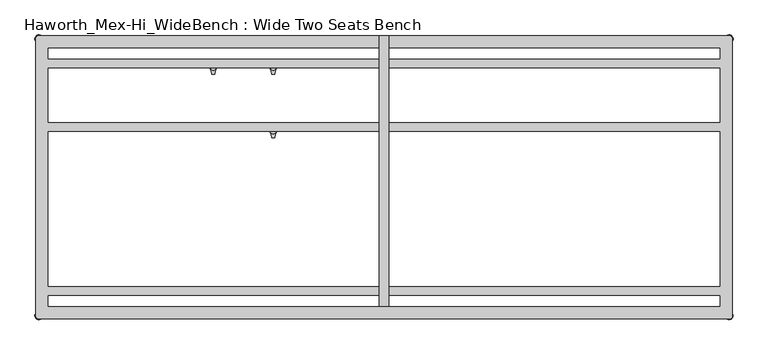
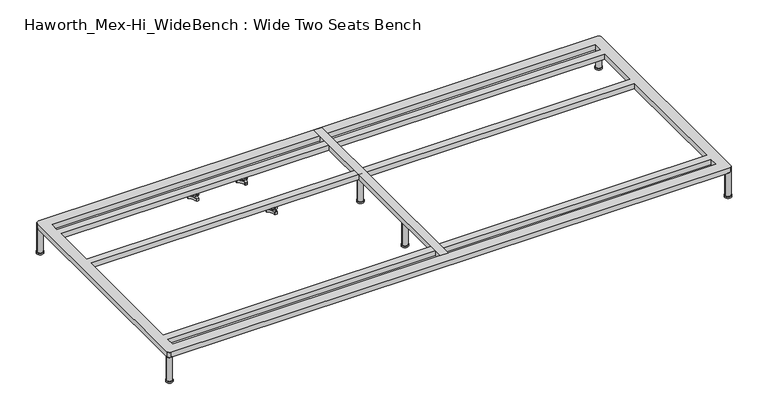
"""IFC4 building model written with IfcOpenShell, lengths in millimetres: furniture geometry, Haworth_Mex-Hi_WideBench : Wide Two Seats Bench."""

from ifc_helpers import new_model, si_unit, point, frame, frame_2d, origin, origin_with_axes, place, context, project, spatial, polyline, circle_curve, trimmed, segment, composite_curve, outline, extrude, source, transform, mapped, element, save
from ifc_brep_helpers import plane_surface, cylinder_surface, revolved_surface, advanced_brep


def haworth_mex_hi_widebench_wide_two_seats_bench_a20557b4(model_context):
    return source(origin(), model_context, "Body", "SolidModel", [
        advanced_brep(
        [(-519.7611937, -130.2721038, 98.611642), (-523.9837819, -137.585841, 98.611642), (-523.585833, -138.7518724, 98.611642), (-507.7665623, -166.1516574, 98.611642), (-506.9557288, -167.0792988, 98.611642), (-498.5105502, -167.0792988, 98.611642), (-497.706022, -165.9895174, 98.611642), (-481.6037689, -138.4877144, 98.611642), (-481.4824919, -137.5858427, 98.611642), (-485.7050818, -130.2721023, 98.611642), (-486.9138653, -130.0337175, 98.611642), (-518.5524137, -130.0337175, 98.611642), (-493.360263, -145.1926245, 98.611642), (-512.2652749, -145.1926245, 98.611642), (-519.7611937, -130.2721038, 88.6531552), (-518.5524137, -130.0337175, 88.6531552), (-486.9138653, -130.0337175, 88.6531552), (-485.7050818, -130.2721023, 88.6531552), (-481.4824919, -137.5858427, 88.6531552), (-481.6037689, -138.4877144, 88.6531552), (-497.706022, -165.9895174, 88.6531552), (-498.5105502, -167.0792988, 88.6531552), (-506.9557288, -167.0792988, 88.6531552), (-507.7665623, -166.1516574, 88.6531552), (-523.585833, -138.7518724, 88.6531552), (-523.9837819, -137.585841, 88.6531552), (-512.2652749, -145.1926245, 103.6569541), (-493.360263, -145.1926245, 103.6569541)],
        [
            (0, 1, circle_curve(frame((-501.5017056, -145.690049, 98.611642), z_axis=(0.0, 0.0, 1.0), x_axis=(1.0, 0.0, 0.0)), 23.8981576)),
            (1, 2, circle_curve(frame((-523.0562233, -137.920202, 98.611642), z_axis=(0.0, 0.0, 1.0), x_axis=(1.0, 0.0, 0.0)), 0.9859828)),
            (2, 3, circle_curve(frame((-541.981203, -167.6389644, 98.611642), z_axis=(0.0, 0.0, -1.0), x_axis=(1.0, 0.0, 0.0)), 34.246952)),
            (3, 4, circle_curve(frame((-506.7815189, -166.1088376, 98.611642), z_axis=(0.0, 0.0, 1.0), x_axis=(1.0, 0.0, 0.0)), 0.9859736)),
            (4, 5, circle_curve(frame((-502.7331395, -143.5567534, 98.611642), z_axis=(0.0, 0.0, 1.0), x_axis=(1.0, 0.0, 0.0)), 23.8985439)),
            (5, 6, circle_curve(frame((-498.6847621, -166.1088262, 98.611642), z_axis=(0.0, 0.0, 1.0), x_axis=(1.0, 0.0, 0.0)), 0.9859852)),
            (6, 7, circle_curve(frame((-463.4843483, -167.5614211, 98.611642), z_axis=(0.0, 0.0, -1.0), x_axis=(1.0, 0.0, 0.0)), 34.2577557)),
            (7, 8, circle_curve(frame((-482.4100533, -137.9202011, 98.611642), z_axis=(0.0, 0.0, 1.0), x_axis=(1.0, 0.0, 0.0)), 0.9859847)),
            (8, 9, circle_curve(frame((-503.9641822, -145.6898258, 98.611642), z_axis=(0.0, 0.0, 1.0), x_axis=(1.0, 0.0, 0.0)), 23.8977184)),
            (9, 10, circle_curve(frame((-486.4584281, -130.9082171, 98.611642), z_axis=(0.0, 0.0, 1.0), x_axis=(1.0, 0.0, 0.0)), 0.9859881)),
            (10, 11, circle_curve(frame((-502.7331395, -99.6586209, 98.611642), z_axis=(0.0, 0.0, -1.0), x_axis=(1.0, 0.0, 0.0)), 34.2475683)),
            (11, 0, circle_curve(frame((-519.0078488, -130.9082131, 98.611642), z_axis=(0.0, 0.0, 1.0), x_axis=(1.0, 0.0, 0.0)), 0.9859835)),
            (12, 13, circle_curve(frame((-502.8127689, -145.1926245, 98.611642), z_axis=(0.0, 0.0, -1.0), x_axis=(1.0, 0.0, 0.0)), 9.452506)),
            (13, 12, circle_curve(frame((-502.8127689, -145.1926245, 98.611642), z_axis=(0.0, 0.0, -1.0), x_axis=(1.0, 0.0, 0.0)), 9.452506)),
            (14, 15, circle_curve(frame((-519.0078488, -130.9082131, 88.6531552), z_axis=(0.0, 0.0, -1.0), x_axis=(1.0, 0.0, 0.0)), 0.9859835)),
            (15, 16, circle_curve(frame((-502.7331395, -99.6586209, 88.6531552), z_axis=(0.0, 0.0, 1.0), x_axis=(1.0, 0.0, 0.0)), 34.2475683)),
            (16, 17, circle_curve(frame((-486.4584281, -130.9082171, 88.6531552), z_axis=(0.0, 0.0, -1.0), x_axis=(1.0, 0.0, 0.0)), 0.9859881)),
            (17, 18, circle_curve(frame((-503.9641822, -145.6898258, 88.6531552), z_axis=(0.0, 0.0, -1.0), x_axis=(1.0, 0.0, 0.0)), 23.8977184)),
            (18, 19, circle_curve(frame((-482.4100533, -137.9202011, 88.6531552), z_axis=(0.0, 0.0, -1.0), x_axis=(1.0, 0.0, 0.0)), 0.9859847)),
            (19, 20, circle_curve(frame((-463.4843483, -167.5614211, 88.6531552), z_axis=(0.0, 0.0, 1.0), x_axis=(1.0, 0.0, 0.0)), 34.2577557)),
            (20, 21, circle_curve(frame((-498.6847621, -166.1088262, 88.6531552), z_axis=(0.0, 0.0, -1.0), x_axis=(1.0, 0.0, 0.0)), 0.9859852)),
            (21, 22, circle_curve(frame((-502.7331395, -143.5567534, 88.6531552), z_axis=(0.0, 0.0, -1.0), x_axis=(1.0, 0.0, 0.0)), 23.8985439)),
            (22, 23, circle_curve(frame((-506.7815189, -166.1088376, 88.6531552), z_axis=(0.0, 0.0, -1.0), x_axis=(1.0, 0.0, 0.0)), 0.9859736)),
            (23, 24, circle_curve(frame((-541.981203, -167.6389644, 88.6531552), z_axis=(0.0, 0.0, 1.0), x_axis=(1.0, 0.0, 0.0)), 34.246952)),
            (24, 25, circle_curve(frame((-523.0562233, -137.920202, 88.6531552), z_axis=(0.0, 0.0, -1.0), x_axis=(1.0, 0.0, 0.0)), 0.9859828)),
            (25, 14, circle_curve(frame((-501.5017056, -145.690049, 88.6531552), z_axis=(0.0, 0.0, -1.0), x_axis=(1.0, 0.0, 0.0)), 23.8981576)),
            (26, 27, circle_curve(frame((-502.8127689, -145.1926245, 103.6569541), z_axis=(0.0, 0.0, 1.0), x_axis=(1.0, 0.0, 0.0)), 9.452506)),
            (27, 26, circle_curve(frame((-502.8127689, -145.1926245, 103.6569541), z_axis=(0.0, 0.0, 1.0), x_axis=(1.0, 0.0, 0.0)), 9.452506)),
            (0, 14),
            (25, 1),
            (24, 2),
            (23, 3),
            (22, 4),
            (21, 5),
            (20, 6),
            (19, 7),
            (18, 8),
            (17, 9),
            (16, 10),
            (15, 11),
            (26, 13),
            (12, 27),
        ],
        [
            plane_surface(frame((-477.603548, -145.690049, 98.611642), z_axis=(0.0, 0.0, 1.0), x_axis=(0.0, 1.0, 0.0))),
            plane_surface(frame((-477.603548, -145.690049, 88.6531552), z_axis=(0.0, 0.0, -1.0), x_axis=(0.0, -1.0, 0.0))),
            plane_surface(frame((-493.360263, -145.1926245, 103.6569541), z_axis=(0.0, 0.0, 1.0), x_axis=(0.0, 1.0, 0.0))),
            cylinder_surface(frame((-501.5017056, -145.690049, 88.6531552), z_axis=(0.0, 0.0, 1.0), x_axis=(1.0, 0.0, 0.0)), 23.8981576),
            cylinder_surface(frame((-523.0562233, -137.920202, 88.6531552), z_axis=(0.0, 0.0, 1.0), x_axis=(1.0, 0.0, 0.0)), 0.9859828),
            revolved_surface(polyline([(-507.73425100000003, -167.6389644, 88.6531552), (-507.73425100000003, -167.6389644, 98.611642)]), (-541.981203, -167.6389644, 88.6531552), (0.0, 0.0, -1.0)),
            cylinder_surface(frame((-506.7815189, -166.1088376, 88.6531552), z_axis=(0.0, 0.0, 1.0), x_axis=(1.0, 0.0, 0.0)), 0.9859736),
            cylinder_surface(frame((-502.7331395, -143.5567534, 88.6531552), z_axis=(0.0, 0.0, 1.0), x_axis=(1.0, 0.0, 0.0)), 23.8985439),
            cylinder_surface(frame((-498.6847621, -166.1088262, 88.6531552), z_axis=(0.0, 0.0, 1.0), x_axis=(1.0, 0.0, 0.0)), 0.9859852),
            revolved_surface(polyline([(-429.2265926, -167.5614211, 88.6531552), (-429.2265926, -167.5614211, 98.611642)]), (-463.4843483, -167.5614211, 88.6531552), (0.0, 0.0, -1.0)),
            cylinder_surface(frame((-482.4100533, -137.9202011, 88.6531552), z_axis=(0.0, 0.0, 1.0), x_axis=(1.0, 0.0, 0.0)), 0.9859847),
            cylinder_surface(frame((-503.9641822, -145.6898258, 88.6531552), z_axis=(0.0, 0.0, 1.0), x_axis=(1.0, 0.0, 0.0)), 23.8977184),
            cylinder_surface(frame((-486.4584281, -130.9082171, 88.6531552), z_axis=(0.0, 0.0, 1.0), x_axis=(1.0, 0.0, 0.0)), 0.9859881),
            revolved_surface(polyline([(-468.4855712, -99.6586209, 88.6531552), (-468.4855712, -99.6586209, 98.611642)]), (-502.7331395, -99.6586209, 88.6531552), (0.0, 0.0, -1.0)),
            cylinder_surface(frame((-519.0078488, -130.9082131, 88.6531552), z_axis=(0.0, 0.0, 1.0), x_axis=(1.0, 0.0, 0.0)), 0.9859835),
            cylinder_surface(frame((-502.8127689, -145.1926245, 98.611642), z_axis=(0.0, 0.0, 1.0), x_axis=(1.0, 0.0, 0.0)), 9.452506),
        ],
        [
            (0, [[1, 2, 3, 4, 5, 6, 7, 8, 9, 10, 11, 12], [13, 14]]),
            (1, [[15, 16, 17, 18, 19, 20, 21, 22, 23, 24, 25, 26]]),
            (2, [[27, 28]]),
            (3, [[-1, 29, -26, 30]]),
            (4, [[-2, -30, -25, 31]]),
            (5, [[-3, -31, -24, 32]]),
            (6, [[-4, -32, -23, 33]]),
            (7, [[-5, -33, -22, 34]]),
            (8, [[-6, -34, -21, 35]]),
            (9, [[-7, -35, -20, 36]]),
            (10, [[-8, -36, -19, 37]]),
            (11, [[-9, -37, -18, 38]]),
            (12, [[-10, -38, -17, 39]]),
            (13, [[-11, -39, -16, 40]]),
            (14, [[-12, -40, -15, -29]]),
            (15, [[-27, 41, -13, 42]]),
            (15, [[-28, -42, -14, -41]]),
        ],
    ),
        advanced_brep(
        [(-519.7611937, 69.7278978, 98.611642), (-523.9837819, 62.4141605, 98.611642), (-523.585833, 61.2481292, 98.611642), (-507.7665623, 33.8483441, 98.611642), (-506.9557288, 32.9207027, 98.611642), (-498.5105502, 32.9207027, 98.611642), (-497.706022, 34.0104841, 98.611642), (-481.6037689, 61.5122871, 98.611642), (-481.4824919, 62.4141588, 98.611642), (-485.7050818, 69.7278992, 98.611642), (-486.9138653, 69.966284, 98.611642), (-518.5524137, 69.966284, 98.611642), (-493.360263, 54.807377, 98.611642), (-512.2652749, 54.807377, 98.611642), (-519.7611937, 69.7278978, 88.6531552), (-518.5524137, 69.966284, 88.6531552), (-486.9138653, 69.966284, 88.6531552), (-485.7050818, 69.7278992, 88.6531552), (-481.4824919, 62.4141588, 88.6531552), (-481.6037689, 61.5122871, 88.6531552), (-497.706022, 34.0104841, 88.6531552), (-498.5105502, 32.9207027, 88.6531552), (-506.9557288, 32.9207027, 88.6531552), (-507.7665623, 33.8483441, 88.6531552), (-523.585833, 61.2481292, 88.6531552), (-523.9837819, 62.4141605, 88.6531552), (-512.2652749, 54.807377, 103.6569541), (-493.360263, 54.807377, 103.6569541)],
        [
            (0, 1, circle_curve(frame((-501.5017056, 54.3099526, 98.611642), z_axis=(0.0, 0.0, 1.0), x_axis=(1.0, 0.0, 0.0)), 23.8981576)),
            (1, 2, circle_curve(frame((-523.0562233, 62.0797996, 98.611642), z_axis=(0.0, 0.0, 1.0), x_axis=(1.0, 0.0, 0.0)), 0.9859828)),
            (2, 3, circle_curve(frame((-541.981203, 32.3610372, 98.611642), z_axis=(0.0, 0.0, -1.0), x_axis=(1.0, 0.0, 0.0)), 34.246952)),
            (3, 4, circle_curve(frame((-506.7815189, 33.8911639, 98.611642), z_axis=(0.0, 0.0, 1.0), x_axis=(1.0, 0.0, 0.0)), 0.9859736)),
            (4, 5, circle_curve(frame((-502.7331395, 56.4432481, 98.611642), z_axis=(0.0, 0.0, 1.0), x_axis=(1.0, 0.0, 0.0)), 23.8985439)),
            (5, 6, circle_curve(frame((-498.6847621, 33.8911753, 98.611642), z_axis=(0.0, 0.0, 1.0), x_axis=(1.0, 0.0, 0.0)), 0.9859852)),
            (6, 7, circle_curve(frame((-463.4843483, 32.4385804, 98.611642), z_axis=(0.0, 0.0, -1.0), x_axis=(1.0, 0.0, 0.0)), 34.2577557)),
            (7, 8, circle_curve(frame((-482.4100533, 62.0798004, 98.611642), z_axis=(0.0, 0.0, 1.0), x_axis=(1.0, 0.0, 0.0)), 0.9859847)),
            (8, 9, circle_curve(frame((-503.9641822, 54.3101757, 98.611642), z_axis=(0.0, 0.0, 1.0), x_axis=(1.0, 0.0, 0.0)), 23.8977184)),
            (9, 10, circle_curve(frame((-486.4584281, 69.0917844, 98.611642), z_axis=(0.0, 0.0, 1.0), x_axis=(1.0, 0.0, 0.0)), 0.9859881)),
            (10, 11, circle_curve(frame((-502.7331395, 100.3413806, 98.611642), z_axis=(0.0, 0.0, -1.0), x_axis=(1.0, 0.0, 0.0)), 34.2475683)),
            (11, 0, circle_curve(frame((-519.0078488, 69.0917885, 98.611642), z_axis=(0.0, 0.0, 1.0), x_axis=(1.0, 0.0, 0.0)), 0.9859835)),
            (12, 13, circle_curve(frame((-502.8127689, 54.807377, 98.611642), z_axis=(0.0, 0.0, -1.0), x_axis=(1.0, 0.0, 0.0)), 9.452506)),
            (13, 12, circle_curve(frame((-502.8127689, 54.807377, 98.611642), z_axis=(0.0, 0.0, -1.0), x_axis=(1.0, 0.0, 0.0)), 9.452506)),
            (14, 15, circle_curve(frame((-519.0078488, 69.0917885, 88.6531552), z_axis=(0.0, 0.0, -1.0), x_axis=(1.0, 0.0, 0.0)), 0.9859835)),
            (15, 16, circle_curve(frame((-502.7331395, 100.3413806, 88.6531552), z_axis=(0.0, 0.0, 1.0), x_axis=(1.0, 0.0, 0.0)), 34.2475683)),
            (16, 17, circle_curve(frame((-486.4584281, 69.0917844, 88.6531552), z_axis=(0.0, 0.0, -1.0), x_axis=(1.0, 0.0, 0.0)), 0.9859881)),
            (17, 18, circle_curve(frame((-503.9641822, 54.3101757, 88.6531552), z_axis=(0.0, 0.0, -1.0), x_axis=(1.0, 0.0, 0.0)), 23.8977184)),
            (18, 19, circle_curve(frame((-482.4100533, 62.0798004, 88.6531552), z_axis=(0.0, 0.0, -1.0), x_axis=(1.0, 0.0, 0.0)), 0.9859847)),
            (19, 20, circle_curve(frame((-463.4843483, 32.4385804, 88.6531552), z_axis=(0.0, 0.0, 1.0), x_axis=(1.0, 0.0, 0.0)), 34.2577557)),
            (20, 21, circle_curve(frame((-498.6847621, 33.8911753, 88.6531552), z_axis=(0.0, 0.0, -1.0), x_axis=(1.0, 0.0, 0.0)), 0.9859852)),
            (21, 22, circle_curve(frame((-502.7331395, 56.4432481, 88.6531552), z_axis=(0.0, 0.0, -1.0), x_axis=(1.0, 0.0, 0.0)), 23.8985439)),
            (22, 23, circle_curve(frame((-506.7815189, 33.8911639, 88.6531552), z_axis=(0.0, 0.0, -1.0), x_axis=(1.0, 0.0, 0.0)), 0.9859736)),
            (23, 24, circle_curve(frame((-541.981203, 32.3610372, 88.6531552), z_axis=(0.0, 0.0, 1.0), x_axis=(1.0, 0.0, 0.0)), 34.246952)),
            (24, 25, circle_curve(frame((-523.0562233, 62.0797996, 88.6531552), z_axis=(0.0, 0.0, -1.0), x_axis=(1.0, 0.0, 0.0)), 0.9859828)),
            (25, 14, circle_curve(frame((-501.5017056, 54.3099526, 88.6531552), z_axis=(0.0, 0.0, -1.0), x_axis=(1.0, 0.0, 0.0)), 23.8981576)),
            (26, 27, circle_curve(frame((-502.8127689, 54.807377, 103.6569541), z_axis=(0.0, 0.0, 1.0), x_axis=(1.0, 0.0, 0.0)), 9.452506)),
            (27, 26, circle_curve(frame((-502.8127689, 54.807377, 103.6569541), z_axis=(0.0, 0.0, 1.0), x_axis=(1.0, 0.0, 0.0)), 9.452506)),
            (0, 14),
            (25, 1),
            (24, 2),
            (23, 3),
            (22, 4),
            (21, 5),
            (20, 6),
            (19, 7),
            (18, 8),
            (17, 9),
            (16, 10),
            (15, 11),
            (26, 13),
            (12, 27),
        ],
        [
            plane_surface(frame((-477.603548, 54.3099526, 98.611642), z_axis=(0.0, 0.0, 1.0), x_axis=(0.0, 1.0, 0.0))),
            plane_surface(frame((-477.603548, 54.3099526, 88.6531552), z_axis=(0.0, 0.0, -1.0), x_axis=(0.0, -1.0, 0.0))),
            plane_surface(frame((-493.360263, 54.807377, 103.6569541), z_axis=(0.0, 0.0, 1.0), x_axis=(0.0, 1.0, 0.0))),
            cylinder_surface(frame((-501.5017056, 54.3099526, 88.6531552), z_axis=(0.0, 0.0, 1.0), x_axis=(1.0, 0.0, 0.0)), 23.8981576),
            cylinder_surface(frame((-523.0562233, 62.0797996, 88.6531552), z_axis=(0.0, 0.0, 1.0), x_axis=(1.0, 0.0, 0.0)), 0.9859828),
            revolved_surface(polyline([(-507.73425100000003, 32.3610372, 88.6531552), (-507.73425100000003, 32.3610372, 98.611642)]), (-541.981203, 32.3610372, 88.6531552), (0.0, 0.0, -1.0)),
            cylinder_surface(frame((-506.7815189, 33.8911639, 88.6531552), z_axis=(0.0, 0.0, 1.0), x_axis=(1.0, 0.0, 0.0)), 0.9859736),
            cylinder_surface(frame((-502.7331395, 56.4432481, 88.6531552), z_axis=(0.0, 0.0, 1.0), x_axis=(1.0, 0.0, 0.0)), 23.8985439),
            cylinder_surface(frame((-498.6847621, 33.8911753, 88.6531552), z_axis=(0.0, 0.0, 1.0), x_axis=(1.0, 0.0, 0.0)), 0.9859852),
            revolved_surface(polyline([(-429.2265926, 32.4385804, 88.6531552), (-429.2265926, 32.4385804, 98.611642)]), (-463.4843483, 32.4385804, 88.6531552), (0.0, 0.0, -1.0)),
            cylinder_surface(frame((-482.4100533, 62.0798004, 88.6531552), z_axis=(0.0, 0.0, 1.0), x_axis=(1.0, 0.0, 0.0)), 0.9859847),
            cylinder_surface(frame((-503.9641822, 54.3101757, 88.6531552), z_axis=(0.0, 0.0, 1.0), x_axis=(1.0, 0.0, 0.0)), 23.8977184),
            cylinder_surface(frame((-486.4584281, 69.0917844, 88.6531552), z_axis=(0.0, 0.0, 1.0), x_axis=(1.0, 0.0, 0.0)), 0.9859881),
            revolved_surface(polyline([(-468.4855712, 100.3413806, 88.6531552), (-468.4855712, 100.3413806, 98.611642)]), (-502.7331395, 100.3413806, 88.6531552), (0.0, 0.0, -1.0)),
            cylinder_surface(frame((-519.0078488, 69.0917885, 88.6531552), z_axis=(0.0, 0.0, 1.0), x_axis=(1.0, 0.0, 0.0)), 0.9859835),
            cylinder_surface(frame((-502.8127689, 54.807377, 98.611642), z_axis=(0.0, 0.0, 1.0), x_axis=(1.0, 0.0, 0.0)), 9.452506),
        ],
        [
            (0, [[1, 2, 3, 4, 5, 6, 7, 8, 9, 10, 11, 12], [13, 14]]),
            (1, [[15, 16, 17, 18, 19, 20, 21, 22, 23, 24, 25, 26]]),
            (2, [[27, 28]]),
            (3, [[-1, 29, -26, 30]]),
            (4, [[-2, -30, -25, 31]]),
            (5, [[-3, -31, -24, 32]]),
            (6, [[-4, -32, -23, 33]]),
            (7, [[-5, -33, -22, 34]]),
            (8, [[-6, -34, -21, 35]]),
            (9, [[-7, -35, -20, 36]]),
            (10, [[-8, -36, -19, 37]]),
            (11, [[-9, -37, -18, 38]]),
            (12, [[-10, -38, -17, 39]]),
            (13, [[-11, -39, -16, 40]]),
            (14, [[-12, -40, -15, -29]]),
            (15, [[-27, 41, -13, 42]]),
            (15, [[-28, -42, -14, -41]]),
        ],
    ),
        advanced_brep(
        [(-708.6567178, 69.7278978, 98.611642), (-712.879306, 62.4141605, 98.611642), (-712.4813572, 61.2481292, 98.611642), (-696.6620864, 33.8483441, 98.611642), (-695.8512529, 32.9207027, 98.611642), (-687.4060744, 32.9207027, 98.611642), (-686.6015461, 34.0104841, 98.611642), (-670.4992931, 61.5122871, 98.611642), (-670.378016, 62.4141588, 98.611642), (-674.600606, 69.7278992, 98.611642), (-675.8093894, 69.966284, 98.611642), (-707.4479379, 69.966284, 98.611642), (-682.2557871, 54.807377, 98.611642), (-701.160799, 54.807377, 98.611642), (-708.6567178, 69.7278978, 88.6531552), (-707.4479379, 69.966284, 88.6531552), (-675.8093894, 69.966284, 88.6531552), (-674.600606, 69.7278992, 88.6531552), (-670.378016, 62.4141588, 88.6531552), (-670.4992931, 61.5122871, 88.6531552), (-686.6015461, 34.0104841, 88.6531552), (-687.4060744, 32.9207027, 88.6531552), (-695.8512529, 32.9207027, 88.6531552), (-696.6620864, 33.8483441, 88.6531552), (-712.4813572, 61.2481292, 88.6531552), (-712.879306, 62.4141605, 88.6531552), (-701.160799, 54.807377, 103.6569541), (-682.2557871, 54.807377, 103.6569541)],
        [
            (0, 1, circle_curve(frame((-690.3972298, 54.3099526, 98.611642), z_axis=(0.0, 0.0, 1.0), x_axis=(1.0, 0.0, 0.0)), 23.8981576)),
            (1, 2, circle_curve(frame((-711.9517474, 62.0797996, 98.611642), z_axis=(0.0, 0.0, 1.0), x_axis=(1.0, 0.0, 0.0)), 0.9859828)),
            (2, 3, circle_curve(frame((-730.8767271, 32.3610372, 98.611642), z_axis=(0.0, 0.0, -1.0), x_axis=(1.0, 0.0, 0.0)), 34.246952)),
            (3, 4, circle_curve(frame((-695.6770431, 33.8911639, 98.611642), z_axis=(0.0, 0.0, 1.0), x_axis=(1.0, 0.0, 0.0)), 0.9859736)),
            (4, 5, circle_curve(frame((-691.6286636, 56.4432481, 98.611642), z_axis=(0.0, 0.0, 1.0), x_axis=(1.0, 0.0, 0.0)), 23.8985439)),
            (5, 6, circle_curve(frame((-687.5802862, 33.8911753, 98.611642), z_axis=(0.0, 0.0, 1.0), x_axis=(1.0, 0.0, 0.0)), 0.9859852)),
            (6, 7, circle_curve(frame((-652.3798725, 32.4385804, 98.611642), z_axis=(0.0, 0.0, -1.0), x_axis=(1.0, 0.0, 0.0)), 34.2577557)),
            (7, 8, circle_curve(frame((-671.3055775, 62.0798004, 98.611642), z_axis=(0.0, 0.0, 1.0), x_axis=(1.0, 0.0, 0.0)), 0.9859847)),
            (8, 9, circle_curve(frame((-692.8597064, 54.3101757, 98.611642), z_axis=(0.0, 0.0, 1.0), x_axis=(1.0, 0.0, 0.0)), 23.8977184)),
            (9, 10, circle_curve(frame((-675.3539522, 69.0917844, 98.611642), z_axis=(0.0, 0.0, 1.0), x_axis=(1.0, 0.0, 0.0)), 0.9859881)),
            (10, 11, circle_curve(frame((-691.6286636, 100.3413806, 98.611642), z_axis=(0.0, 0.0, -1.0), x_axis=(1.0, 0.0, 0.0)), 34.2475683)),
            (11, 0, circle_curve(frame((-707.9033729, 69.0917885, 98.611642), z_axis=(0.0, 0.0, 1.0), x_axis=(1.0, 0.0, 0.0)), 0.9859835)),
            (12, 13, circle_curve(frame((-691.7082931, 54.807377, 98.611642), z_axis=(0.0, 0.0, -1.0), x_axis=(1.0, 0.0, 0.0)), 9.452506)),
            (13, 12, circle_curve(frame((-691.7082931, 54.807377, 98.611642), z_axis=(0.0, 0.0, -1.0), x_axis=(1.0, 0.0, 0.0)), 9.452506)),
            (14, 15, circle_curve(frame((-707.9033729, 69.0917885, 88.6531552), z_axis=(0.0, 0.0, -1.0), x_axis=(1.0, 0.0, 0.0)), 0.9859835)),
            (15, 16, circle_curve(frame((-691.6286636, 100.3413806, 88.6531552), z_axis=(0.0, 0.0, 1.0), x_axis=(1.0, 0.0, 0.0)), 34.2475683)),
            (16, 17, circle_curve(frame((-675.3539522, 69.0917844, 88.6531552), z_axis=(0.0, 0.0, -1.0), x_axis=(1.0, 0.0, 0.0)), 0.9859881)),
            (17, 18, circle_curve(frame((-692.8597064, 54.3101757, 88.6531552), z_axis=(0.0, 0.0, -1.0), x_axis=(1.0, 0.0, 0.0)), 23.8977184)),
            (18, 19, circle_curve(frame((-671.3055775, 62.0798004, 88.6531552), z_axis=(0.0, 0.0, -1.0), x_axis=(1.0, 0.0, 0.0)), 0.9859847)),
            (19, 20, circle_curve(frame((-652.3798725, 32.4385804, 88.6531552), z_axis=(0.0, 0.0, 1.0), x_axis=(1.0, 0.0, 0.0)), 34.2577557)),
            (20, 21, circle_curve(frame((-687.5802862, 33.8911753, 88.6531552), z_axis=(0.0, 0.0, -1.0), x_axis=(1.0, 0.0, 0.0)), 0.9859852)),
            (21, 22, circle_curve(frame((-691.6286636, 56.4432481, 88.6531552), z_axis=(0.0, 0.0, -1.0), x_axis=(1.0, 0.0, 0.0)), 23.8985439)),
            (22, 23, circle_curve(frame((-695.6770431, 33.8911639, 88.6531552), z_axis=(0.0, 0.0, -1.0), x_axis=(1.0, 0.0, 0.0)), 0.9859736)),
            (23, 24, circle_curve(frame((-730.8767271, 32.3610372, 88.6531552), z_axis=(0.0, 0.0, 1.0), x_axis=(1.0, 0.0, 0.0)), 34.246952)),
            (24, 25, circle_curve(frame((-711.9517474, 62.0797996, 88.6531552), z_axis=(0.0, 0.0, -1.0), x_axis=(1.0, 0.0, 0.0)), 0.9859828)),
            (25, 14, circle_curve(frame((-690.3972298, 54.3099526, 88.6531552), z_axis=(0.0, 0.0, -1.0), x_axis=(1.0, 0.0, 0.0)), 23.8981576)),
            (26, 27, circle_curve(frame((-691.7082931, 54.807377, 103.6569541), z_axis=(0.0, 0.0, 1.0), x_axis=(1.0, 0.0, 0.0)), 9.452506)),
            (27, 26, circle_curve(frame((-691.7082931, 54.807377, 103.6569541), z_axis=(0.0, 0.0, 1.0), x_axis=(1.0, 0.0, 0.0)), 9.452506)),
            (0, 14),
            (25, 1),
            (24, 2),
            (23, 3),
            (22, 4),
            (21, 5),
            (20, 6),
            (19, 7),
            (18, 8),
            (17, 9),
            (16, 10),
            (15, 11),
            (26, 13),
            (12, 27),
        ],
        [
            plane_surface(frame((-666.4990722, 54.3099526, 98.611642), z_axis=(0.0, 0.0, 1.0), x_axis=(0.0, 1.0, 0.0))),
            plane_surface(frame((-666.4990722, 54.3099526, 88.6531552), z_axis=(0.0, 0.0, -1.0), x_axis=(0.0, -1.0, 0.0))),
            plane_surface(frame((-682.2557871, 54.807377, 103.6569541), z_axis=(0.0, 0.0, 1.0), x_axis=(0.0, 1.0, 0.0))),
            cylinder_surface(frame((-690.3972298, 54.3099526, 88.6531552), z_axis=(0.0, 0.0, 1.0), x_axis=(1.0, 0.0, 0.0)), 23.8981576),
            cylinder_surface(frame((-711.9517474, 62.0797996, 88.6531552), z_axis=(0.0, 0.0, 1.0), x_axis=(1.0, 0.0, 0.0)), 0.9859828),
            revolved_surface(polyline([(-696.6297751000001, 32.3610372, 88.6531552), (-696.6297751000001, 32.3610372, 98.611642)]), (-730.8767271, 32.3610372, 88.6531552), (0.0, 0.0, -1.0)),
            cylinder_surface(frame((-695.6770431, 33.8911639, 88.6531552), z_axis=(0.0, 0.0, 1.0), x_axis=(1.0, 0.0, 0.0)), 0.9859736),
            cylinder_surface(frame((-691.6286636, 56.4432481, 88.6531552), z_axis=(0.0, 0.0, 1.0), x_axis=(1.0, 0.0, 0.0)), 23.8985439),
            cylinder_surface(frame((-687.5802862, 33.8911753, 88.6531552), z_axis=(0.0, 0.0, 1.0), x_axis=(1.0, 0.0, 0.0)), 0.9859852),
            revolved_surface(polyline([(-618.1221168000001, 32.4385804, 88.6531552), (-618.1221168000001, 32.4385804, 98.611642)]), (-652.3798725, 32.4385804, 88.6531552), (0.0, 0.0, -1.0)),
            cylinder_surface(frame((-671.3055775, 62.0798004, 88.6531552), z_axis=(0.0, 0.0, 1.0), x_axis=(1.0, 0.0, 0.0)), 0.9859847),
            cylinder_surface(frame((-692.8597064, 54.3101757, 88.6531552), z_axis=(0.0, 0.0, 1.0), x_axis=(1.0, 0.0, 0.0)), 23.8977184),
            cylinder_surface(frame((-675.3539522, 69.0917844, 88.6531552), z_axis=(0.0, 0.0, 1.0), x_axis=(1.0, 0.0, 0.0)), 0.9859881),
            revolved_surface(polyline([(-657.3810953, 100.3413806, 88.6531552), (-657.3810953, 100.3413806, 98.611642)]), (-691.6286636, 100.3413806, 88.6531552), (0.0, 0.0, -1.0)),
            cylinder_surface(frame((-707.9033729, 69.0917885, 88.6531552), z_axis=(0.0, 0.0, 1.0), x_axis=(1.0, 0.0, 0.0)), 0.9859835),
            cylinder_surface(frame((-691.7082931, 54.807377, 98.611642), z_axis=(0.0, 0.0, 1.0), x_axis=(1.0, 0.0, 0.0)), 9.452506),
        ],
        [
            (0, [[1, 2, 3, 4, 5, 6, 7, 8, 9, 10, 11, 12], [13, 14]]),
            (1, [[15, 16, 17, 18, 19, 20, 21, 22, 23, 24, 25, 26]]),
            (2, [[27, 28]]),
            (3, [[-1, 29, -26, 30]]),
            (4, [[-2, -30, -25, 31]]),
            (5, [[-3, -31, -24, 32]]),
            (6, [[-4, -32, -23, 33]]),
            (7, [[-5, -33, -22, 34]]),
            (8, [[-6, -34, -21, 35]]),
            (9, [[-7, -35, -20, 36]]),
            (10, [[-8, -36, -19, 37]]),
            (11, [[-9, -37, -18, 38]]),
            (12, [[-10, -38, -17, 39]]),
            (13, [[-11, -39, -16, 40]]),
            (14, [[-12, -40, -15, -29]]),
            (15, [[-27, 41, -13, 42]]),
            (15, [[-28, -42, -14, -41]]),
        ],
    ),
        extrude(outline(composite_curve([segment(trimmed(circle_curve(frame_2d((-155.4452882, -433.7002937)), 10.4664203), [point((-165.9117085, -433.7002937))], [point((-144.9788678, -433.7002937))], False, "CARTESIAN"), True, "CONTINUOUS"), segment(trimmed(circle_curve(frame_2d((-155.4452882, -433.7002937)), 10.4664203), [point((-144.9788678, -433.7002937))], [point((-165.9117085, -433.7002937))], False, "CARTESIAN"), True, "CONTINUOUS")], self_intersect=False)), origin_with_axes(), (0.0, 0.0, 1.0), 103.6569541),
        extrude(outline(composite_curve([segment(trimmed(circle_curve(frame_2d((-155.4452882, -133.6667163)), 10.4664203), [point((-165.9117085, -133.6667163))], [point((-144.9788678, -133.6667163))], False, "CARTESIAN"), True, "CONTINUOUS"), segment(trimmed(circle_curve(frame_2d((-155.4452882, -133.6667163)), 10.4664203), [point((-144.9788678, -133.6667163))], [point((-165.9117085, -133.6667163))], False, "CARTESIAN"), True, "CONTINUOUS")], self_intersect=False)), origin_with_axes(), (0.0, 0.0, 1.0), 103.6569541),
        extrude(outline(composite_curve([segment(trimmed(circle_curve(frame_2d((-155.4452882, -433.7002937)), 12.5000005), [point((-167.9452886, -433.7002937))], [point((-142.9452877, -433.7002937))], False, "CARTESIAN"), True, "CONTINUOUS"), segment(trimmed(circle_curve(frame_2d((-155.4452882, -433.7002937)), 12.5000005), [point((-142.9452877, -433.7002937))], [point((-167.9452886, -433.7002937))], False, "CARTESIAN"), True, "CONTINUOUS")], self_intersect=False)), origin_with_axes(), (0.0, 0.0, 1.0), 6.0),
        extrude(outline(composite_curve([segment(trimmed(circle_curve(frame_2d((-155.4452882, -133.6667163)), 12.5000005), [point((-167.9452886, -133.6667163))], [point((-142.9452877, -133.6667163))], False, "CARTESIAN"), True, "CONTINUOUS"), segment(trimmed(circle_curve(frame_2d((-155.4452882, -133.6667163)), 12.5000005), [point((-142.9452877, -133.6667163))], [point((-167.9452886, -133.6667163))], False, "CARTESIAN"), True, "CONTINUOUS")], self_intersect=False)), origin_with_axes(), (0.0, 0.0, 1.0), 6.0),
        extrude(outline(polyline([(-169.7406049, -696.2002953), (-169.7406049, 153.6358637), (-139.7406192, 153.6358637), (-139.7406192, -696.2002953), (-169.7406049, -696.2002953)])), frame((0.0, 0.0, 103.6569541), z_axis=(0.0, 0.0, 1.0), x_axis=(1.0, 0.0, 0.0)), (0.0, 0.0, 1.0), 20.3430443),
        extrude(outline(composite_curve([segment(trimmed(circle_curve(frame_2d((-1239.490311, 143.787786)), 12.5000005), [point((-1251.9903115, 143.787786))], [point((-1226.9903105, 143.787786))], False, "CARTESIAN"), True, "CONTINUOUS"), segment(trimmed(circle_curve(frame_2d((-1239.490311, 143.787786)), 12.5000005), [point((-1226.9903105, 143.787786))], [point((-1251.9903115, 143.787786))], False, "CARTESIAN"), True, "CONTINUOUS")], self_intersect=False)), origin_with_axes(), (0.0, 0.0, 1.0), 6.0),
        extrude(outline(composite_curve([segment(trimmed(circle_curve(frame_2d((-1239.490311, -726.2491859)), 12.5000005), [point((-1251.9903115, -726.2491859))], [point((-1226.9903105, -726.2491859))], False, "CARTESIAN"), True, "CONTINUOUS"), segment(trimmed(circle_curve(frame_2d((-1239.490311, -726.2491859)), 12.5000005), [point((-1226.9903105, -726.2491859))], [point((-1251.9903115, -726.2491859))], False, "CARTESIAN"), True, "CONTINUOUS")], self_intersect=False)), origin_with_axes(), (0.0, 0.0, 1.0), 6.0),
        extrude(outline(composite_curve([segment(trimmed(circle_curve(frame_2d((930.1872347, 143.787786)), 12.5000005), [point((917.6872342, 143.787786))], [point((942.6872352, 143.787786))], False, "CARTESIAN"), True, "CONTINUOUS"), segment(trimmed(circle_curve(frame_2d((930.1872347, 143.787786)), 12.5000005), [point((942.6872352, 143.787786))], [point((917.6872342, 143.787786))], False, "CARTESIAN"), True, "CONTINUOUS")], self_intersect=False)), origin_with_axes(), (0.0, 0.0, 1.0), 6.0),
        extrude(outline(composite_curve([segment(trimmed(circle_curve(frame_2d((930.0926028, -726.2033172)), 12.5000005), [point((917.5926024, -726.2033172))], [point((942.5926033, -726.2033172))], False, "CARTESIAN"), True, "CONTINUOUS"), segment(trimmed(circle_curve(frame_2d((930.0926028, -726.2033172)), 12.5000005), [point((942.5926033, -726.2033172))], [point((917.5926024, -726.2033172))], False, "CARTESIAN"), True, "CONTINUOUS")], self_intersect=False)), origin_with_axes(), (0.0, 0.0, 1.0), 6.0),
        extrude(outline(composite_curve([segment(trimmed(circle_curve(frame_2d((-1239.490311, 143.787786)), 10.4664203), [point((-1249.9567314, 143.787786))], [point((-1229.0238907, 143.787786))], False, "CARTESIAN"), True, "CONTINUOUS"), segment(trimmed(circle_curve(frame_2d((-1239.490311, 143.787786)), 10.4664203), [point((-1229.0238907, 143.787786))], [point((-1249.9567314, 143.787786))], False, "CARTESIAN"), True, "CONTINUOUS")], self_intersect=False)), origin_with_axes(), (0.0, 0.0, 1.0), 103.6569541),
        extrude(outline(composite_curve([segment(trimmed(circle_curve(frame_2d((930.1617227, -726.1628448)), 10.4664203), [point((919.6953024, -726.1628448))], [point((940.6281431, -726.1628448))], False, "CARTESIAN"), True, "CONTINUOUS"), segment(trimmed(circle_curve(frame_2d((930.1617227, -726.1628448)), 10.4664203), [point((940.6281431, -726.1628448))], [point((919.6953024, -726.1628448))], False, "CARTESIAN"), True, "CONTINUOUS")], self_intersect=False)), origin_with_axes(), (0.0, 0.0, 1.0), 103.6569541),
        extrude(outline(composite_curve([segment(trimmed(circle_curve(frame_2d((930.2402147, 143.7799368)), 10.4664203), [point((919.7737944, 143.7799368))], [point((940.706635, 143.7799368))], False, "CARTESIAN"), True, "CONTINUOUS"), segment(trimmed(circle_curve(frame_2d((930.2402147, 143.7799368)), 10.4664203), [point((940.706635, 143.7799368))], [point((919.7737944, 143.7799368))], False, "CARTESIAN"), True, "CONTINUOUS")], self_intersect=False)), origin_with_axes(), (0.0, 0.0, 1.0), 103.6569541),
        extrude(outline(composite_curve([segment(trimmed(circle_curve(frame_2d((-1239.4189857, -726.0945909)), 10.4664203), [point((-1249.8854061, -726.0945909))], [point((-1228.9525654, -726.0945909))], False, "CARTESIAN"), True, "CONTINUOUS"), segment(trimmed(circle_curve(frame_2d((-1239.4189857, -726.0945909)), 10.4664203), [point((-1228.9525654, -726.0945909))], [point((-1249.8854061, -726.0945909))], False, "CARTESIAN"), True, "CONTINUOUS")], self_intersect=False)), origin_with_axes(), (0.0, 0.0, 1.0), 103.6569541),
        extrude(outline(composite_curve([segment(polyline([(-1239.9363796, 153.6358637), (930.4551554, 153.6358637)]), True, "CONTINUOUS"), segment(trimmed(circle_curve(frame_2d((930.4551554, 144.0819322)), 9.5539314), [point((930.4551554, 153.6358637))], [point((940.0090868, 144.0819322))], False, "CARTESIAN"), True, "CONTINUOUS"), segment(polyline([(940.0090868, 144.0819322), (940.0090868, -728.9954927)]), True, "CONTINUOUS"), segment(trimmed(circle_curve(frame_2d((932.8161728, -728.9954927)), 7.192914), [point((940.0090868, -728.9954927))], [point((932.8161728, -736.1884068))], False, "CARTESIAN"), True, "CONTINUOUS"), segment(polyline([(932.8161728, -736.1884068), (-1239.6875349, -736.1884068)]), True, "CONTINUOUS"), segment(trimmed(circle_curve(frame_2d((-1239.6875349, -726.3856306)), 9.8027761), [point((-1239.6875349, -736.1884068))], [point((-1249.490311, -726.3856306))], False, "CARTESIAN"), True, "CONTINUOUS"), segment(polyline([(-1249.490311, -726.3856306), (-1249.490311, 144.0819322)]), True, "CONTINUOUS"), segment(trimmed(circle_curve(frame_2d((-1239.9363796, 144.0819322)), 9.5539314), [point((-1249.490311, 144.0819322))], [point((-1239.9363796, 153.6358637))], False, "CARTESIAN"), True, "CONTINUOUS")], self_intersect=False), holes=[polyline([(-1209.5022296, -663.7579623), (-1209.5022296, -696.2002953), (900.1108076, -696.2002953), (900.1108076, -663.7579623), (-1209.5022296, -663.7579623)]), polyline([(-1209.5022296, 113.7997046), (-1209.5022296, 81.2997034), (900.1108076, 81.2997034), (900.1108076, 113.7997046), (-1209.5022296, 113.7997046)]), polyline([(-1209.5022296, -148.700302), (-1209.5022296, -633.7579584), (900.1108076, -633.7579584), (900.1108076, -148.700302), (-1209.5022296, -148.700302)]), polyline([(900.1108076, 51.2996995), (-1209.5022296, 51.2996995), (-1209.5022296, -118.7002981), (900.1108076, -118.7002981), (900.1108076, 51.2996995)])]), frame((0.0, 0.0, 103.6569541), z_axis=(0.0, 0.0, 1.0), x_axis=(1.0, 0.0, 0.0)), (0.0, 0.0, 1.0), 20.3430443),
    ])


if __name__ == "__main__":
    model = new_model("IFC4")
    model_context = context("Model", 3, world=origin())
    ifc_project = project(units=[si_unit("LENGTHUNIT", "METRE", prefix="MILLI")], contexts=[model_context])
    site = spatial("IfcSite", under=ifc_project)
    building = spatial("IfcBuilding", under=site)
    placement = place(None, origin())
    haworth_mex_hi_widebench_wide_two_seats_bench_shape = haworth_mex_hi_widebench_wide_two_seats_bench_a20557b4(model_context)
    element("IfcFurniture", 1, ObjectType="Haworth_Mex-Hi_WideBench : Wide Two Seats Bench", at=placement, inside=building, context=model_context, shape_type="MappedRepresentation", body=[
        mapped(haworth_mex_hi_widebench_wide_two_seats_bench_shape, transform((0.0, 0.0, 0.0), x_axis=(1.0, 0.0, 0.0), y_axis=(0.0, 1.0, 0.0), z_axis=(0.0, 0.0, 1.0))),
    ])
    save(model, "model.ifc")
